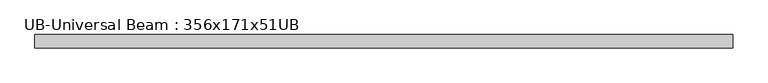
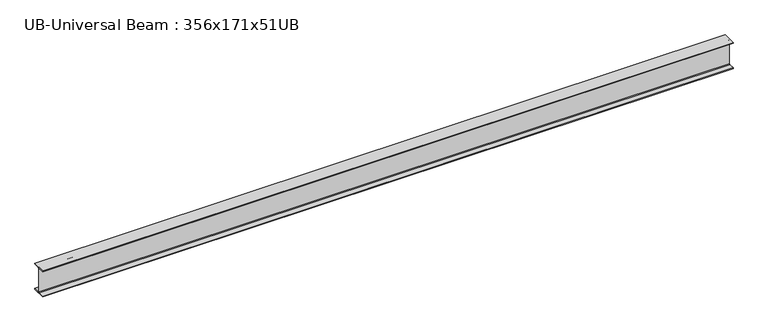
"""IFC4 building model written with IfcOpenShell, lengths in millimetres: beam geometry, UB-Universal Beam : 356x171x51UB."""

import ifcopenshell
import ifcopenshell.guid

model = None  # the IFC model being written
_history = None  # IfcOwnerHistory: only IFC2X3 demands one
_inside = {}  # id of a spatial element -> (the spatial element, [elements in it])
_under = {}  # id of a project, library or spatial element -> (it, [spatial elements below it])
_declared = {}  # id of a project -> (the project, [libraries it declares])
_typed = {}  # id of a type object -> (the type object, [elements of that type])
_made_of = {}  # id of a material, layer set ... -> (it, [elements and type objects made of it])


def new_model(schema):
    """Start an empty IFC model of exactly this schema.

    Asked for "IFC4X3", IfcOpenShell would pick the latest addendum, in which some entities
    have other attributes; the version numbers below select the first issue.
    IFC2X3 requires an IfcOwnerHistory on every rooted entity: one is made here for all.
    """
    global model, _history
    if schema == "IFC4X3":
        model = ifcopenshell.file(schema_version=(4, 3, 0, 0))
    else:
        model = ifcopenshell.file(schema=schema)
    _inside.clear()
    _under.clear()
    _declared.clear()
    _typed.clear()
    _made_of.clear()
    _history = None
    if model.schema == "IFC2X3":
        org = make("IfcOrganization", Name="unknown")
        user = make(
            "IfcPersonAndOrganization",
            ThePerson=make("IfcPerson", FamilyName="unknown"),
            TheOrganization=org,
        )
        app = make(
            "IfcApplication",
            ApplicationDeveloper=org,
            Version="unknown",
            ApplicationFullName="unknown",
            ApplicationIdentifier="unknown",
        )
        _history = make(
            "IfcOwnerHistory",
            OwningUser=user,
            OwningApplication=app,
            ChangeAction="ADDED",
            CreationDate=0,
        )
    return model


def make(cls, **values):
    """One entity of the class cls with the attributes given. An attribute that is None is left unset."""
    return model.create_entity(
        cls, **{name: value for name, value in values.items() if value is not None}
    )


def rooted(cls, **values):
    """An entity with a GlobalId (a new one), such as an element, a storey or a relation."""
    return make(cls, GlobalId=ifcopenshell.guid.new(), OwnerHistory=_history, **values)


def si_unit(unit_type, name, prefix=None):
    """IfcSIUnit, for example si_unit("LENGTHUNIT", "METRE", prefix="MILLI")."""
    return make("IfcSIUnit", UnitType=unit_type, Prefix=prefix, Name=name)


def assignment(units):
    """IfcUnitAssignment: the units of a project."""
    return None if units is None else make("IfcUnitAssignment", Units=units)


def point(xyz):
    """IfcCartesianPoint."""
    return None if xyz is None else make("IfcCartesianPoint", Coordinates=xyz)


def direction(xyz):
    """IfcDirection."""
    return None if xyz is None else make("IfcDirection", DirectionRatios=xyz)


def frame(location, z_axis=None, x_axis=None):
    """IfcAxis2Placement3D, a coordinate frame: its origin and axes. An axis left out is left unset."""
    return make(
        "IfcAxis2Placement3D",
        Location=point(location),
        Axis=direction(z_axis),
        RefDirection=direction(x_axis),
    )


def frame_2d(location, x_axis=None):
    """IfcAxis2Placement2D, a coordinate frame in the plane: its origin and x axis."""
    return make(
        "IfcAxis2Placement2D", Location=point(location), RefDirection=direction(x_axis)
    )


def origin():
    """The frame at (0, 0, 0) with its axes left unset."""
    return frame((0.0, 0.0, 0.0))


def place(relative_to, where):
    """IfcLocalPlacement: puts the frame where relative to a parent placement (None: the world)."""
    return make(
        "IfcLocalPlacement", PlacementRelTo=relative_to, RelativePlacement=where
    )


def context(
    kind, dimensions, precision=None, world=None, true_north=None, identifier=None
):
    """IfcGeometricRepresentationContext, for example the 3D "Model" context."""
    return make(
        "IfcGeometricRepresentationContext",
        ContextIdentifier=identifier,
        ContextType=kind,
        CoordinateSpaceDimension=dimensions,
        Precision=precision,
        WorldCoordinateSystem=world,
        TrueNorth=true_north,
    )


def project(units=None, contexts=None):
    """IfcProject with its units and contexts."""
    return rooted(
        "IfcProject",
        Name="project",
        RepresentationContexts=contexts,
        UnitsInContext=assignment(units),
    )


def spatial(cls, under=None, at=None, **own):
    """A site, building, storey or space (cls), placed at a placement, below another one or the project."""
    s = rooted(cls, ObjectPlacement=at, **own)
    if under is not None:
        _under.setdefault(under.id(), (under, []))[1].append(s)
    return s


def polyline(points):
    """IfcPolyline through the points."""
    return make("IfcPolyline", Points=[point(p) for p in points])


def circle_curve(where, radius):
    """IfcCircle in the frame where."""
    return make("IfcCircle", Position=where, Radius=radius)


def trimmed(basis, trim1, trim2, sense, master):
    """IfcTrimmedCurve: the piece of a basis curve between two trims."""
    return make(
        "IfcTrimmedCurve",
        BasisCurve=basis,
        Trim1=trim1,
        Trim2=trim2,
        SenseAgreement=sense,
        MasterRepresentation=master,
    )


def segment(curve, same_sense, transition):
    """IfcCompositeCurveSegment."""
    return make(
        "IfcCompositeCurveSegment",
        Transition=transition,
        SameSense=same_sense,
        ParentCurve=curve,
    )


def composite_curve(segments, self_intersect=None):
    """IfcCompositeCurve: segments joined end to end."""
    return make("IfcCompositeCurve", Segments=segments, SelfIntersect=self_intersect)


def outline(outer, holes=None, kind="AREA"):
    """IfcArbitraryClosedProfileDef: a profile drawn as a closed curve; with holes, ...WithVoids."""
    if holes is None:
        return make("IfcArbitraryClosedProfileDef", ProfileType=kind, OuterCurve=outer)
    return make(
        "IfcArbitraryProfileDefWithVoids",
        ProfileType=kind,
        OuterCurve=outer,
        InnerCurves=holes,
    )


def extrude(swept, where, along, depth):
    """IfcExtrudedAreaSolid: the profile swept, set in the frame where, extruded along a direction by depth."""
    return make(
        "IfcExtrudedAreaSolid",
        SweptArea=swept,
        Position=where,
        ExtrudedDirection=direction(along),
        Depth=depth,
    )


def shape(context_of_items, identifier, shape_type, items):
    """IfcShapeRepresentation: the items that make up one representation, for example the "Body"."""
    return make(
        "IfcShapeRepresentation",
        ContextOfItems=context_of_items,
        RepresentationIdentifier=identifier,
        RepresentationType=shape_type,
        Items=items,
    )


def source(mapping_origin, context_of_items, identifier, shape_type, items):
    """IfcRepresentationMap: a shape defined once, which mapped items show again and again."""
    return make(
        "IfcRepresentationMap",
        MappingOrigin=mapping_origin,
        MappedRepresentation=shape(context_of_items, identifier, shape_type, items),
    )


def transform(
    local_origin,
    x_axis=None,
    y_axis=None,
    z_axis=None,
    scale=None,
    scale2=None,
    scale3=None,
    uniform=True,
):
    """IfcCartesianTransformationOperator3D, or its non-uniform kind. x_axis, y_axis, z_axis: its Axis1, 2, 3."""
    if uniform:
        return make(
            "IfcCartesianTransformationOperator3D",
            Axis1=direction(x_axis),
            Axis2=direction(y_axis),
            LocalOrigin=point(local_origin),
            Scale=scale,
            Axis3=direction(z_axis),
        )
    return make(
        "IfcCartesianTransformationOperator3DnonUniform",
        Axis1=direction(x_axis),
        Axis2=direction(y_axis),
        LocalOrigin=point(local_origin),
        Scale=scale,
        Axis3=direction(z_axis),
        Scale2=scale2,
        Scale3=scale3,
    )


def mapped(mapping_source, mapping_target):
    """IfcMappedItem: shows the shape of a source again, moved by a transform."""
    return make(
        "IfcMappedItem", MappingSource=mapping_source, MappingTarget=mapping_target
    )


def made_of(thing, what):
    """Note that an element or type object is made of a material, layer set ...; save() writes the relation."""
    if what is not None:
        _made_of.setdefault(what.id(), (what, []))[1].append(thing)
    return thing


def element(
    cls,
    number,
    at=None,
    inside=None,
    cuts=None,
    type_object=None,
    material=None,
    context=None,
    identifier="Body",
    shape_type=None,
    held_by="IfcProductDefinitionShape",
    body=None,
    shapes=None,
    **own,
):
    """One element of the class cls, such as IfcWall. Its Tag is "e" and its number.

    at: its placement. inside: the storey or other place that contains it. cuts: it is an
    opening in that element (IfcRelVoidsElement). A single representation is given by context,
    identifier, shape_type and body (its items); several are given by shapes. held_by: the class
    of the entity that holds the representations. save() writes the other relations.
    """
    e = rooted(cls, Tag="e%d" % number, ObjectPlacement=at, **own)
    if body is not None:
        shapes = [shape(context, identifier, shape_type, body)]
    if shapes is not None:
        e.Representation = make(held_by, Representations=shapes)
    if inside is not None:
        _inside.setdefault(inside.id(), (inside, []))[1].append(e)
    if cuts is not None:
        rooted(
            "IfcRelVoidsElement", RelatingBuildingElement=cuts, RelatedOpeningElement=e
        )
    if type_object is not None:
        _typed.setdefault(type_object.id(), (type_object, []))[1].append(e)
    return made_of(e, material)


def aggregate(whole, parts):
    """IfcRelAggregates: a whole, such as a stair, and the parts it consists of."""
    return rooted("IfcRelAggregates", RelatingObject=whole, RelatedObjects=parts)


def save(model, path):
    """Write the relations noted so far, then the file.

    IfcRelAggregates (storeys below a building ...), IfcRelContainedInSpatialStructure (elements
    in a storey), IfcRelDefinesByType, IfcRelAssociatesMaterial and IfcRelDeclares: one each for
    every whole, place, type object, material and project.
    """
    for whole, parts in _under.values():
        aggregate(whole, parts)
    for where, things in _inside.values():
        rooted(
            "IfcRelContainedInSpatialStructure",
            RelatedElements=things,
            RelatingStructure=where,
        )
    for kind, things in _typed.values():
        rooted("IfcRelDefinesByType", RelatedObjects=things, RelatingType=kind)
    for what, things in _made_of.values():
        rooted("IfcRelAssociatesMaterial", RelatedObjects=things, RelatingMaterial=what)
    for by, libraries in _declared.values():
        rooted("IfcRelDeclares", RelatingContext=by, RelatedDefinitions=libraries)
    model.write(path)


def ub_universal_beam_356x171x51ub_7be1c73e(model_context):
    return source(origin(), model_context, "Body", "SweptSolid", [
        extrude(outline(composite_curve([segment(polyline([(85.75, -166.0), (85.75, -177.5), (-85.75, -177.5), (-85.75, -166.0), (-13.9, -166.0)]), True, "CONTINUOUS"), segment(trimmed(circle_curve(frame_2d((-13.9, -155.8)), 10.2), [point((-13.9, -166.0))], [point((-3.7, -155.8))], True, "CARTESIAN"), True, "CONTINUOUS"), segment(polyline([(-3.7, -155.8), (-3.7, 155.8)]), True, "CONTINUOUS"), segment(trimmed(circle_curve(frame_2d((-13.9, 155.8)), 10.2), [point((-3.7, 155.8))], [point((-13.9, 166.0))], True, "CARTESIAN"), True, "CONTINUOUS"), segment(polyline([(-13.9, 166.0), (-85.75, 166.0), (-85.75, 177.5), (85.75, 177.5), (85.75, 166.0), (13.9, 166.0)]), True, "CONTINUOUS"), segment(trimmed(circle_curve(frame_2d((13.9, 155.8)), 10.2), [point((13.9, 166.0))], [point((3.7, 155.8))], True, "CARTESIAN"), True, "CONTINUOUS"), segment(polyline([(3.7, 155.8), (3.7, -155.8)]), True, "CONTINUOUS"), segment(trimmed(circle_curve(frame_2d((13.9, -155.8)), 10.2), [point((3.7, -155.8))], [point((13.9, -166.0))], True, "CARTESIAN"), True, "CONTINUOUS"), segment(polyline([(13.9, -166.0), (85.75, -166.0)]), True, "CONTINUOUS")], self_intersect=False)), frame((-4392.3, 0.0, 0.0), z_axis=(1.0, 0.0, 0.0), x_axis=(0.0, 1.0, 0.0)), (0.0, 0.0, 1.0), 8843.85),
    ])


if __name__ == "__main__":
    model = new_model("IFC4")
    model_context = context("Model", 3, world=origin())
    ifc_project = project(units=[si_unit("LENGTHUNIT", "METRE", prefix="MILLI")], contexts=[model_context])
    site = spatial("IfcSite", under=ifc_project)
    building = spatial("IfcBuilding", under=site)
    placement = place(None, origin())
    ub_universal_beam_356x171x51ub_shape = ub_universal_beam_356x171x51ub_7be1c73e(model_context)
    element("IfcBeam", 1, ObjectType="UB-Universal Beam : 356x171x51UB", at=placement, inside=building, context=model_context, shape_type="MappedRepresentation", body=[
        mapped(ub_universal_beam_356x171x51ub_shape, transform((0.0, 0.0, 0.0), x_axis=(1.0, 0.0, 0.0), y_axis=(0.0, 1.0, 0.0), z_axis=(0.0, 0.0, 1.0))),
    ])
    save(model, "model.ifc")
